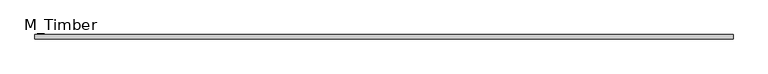
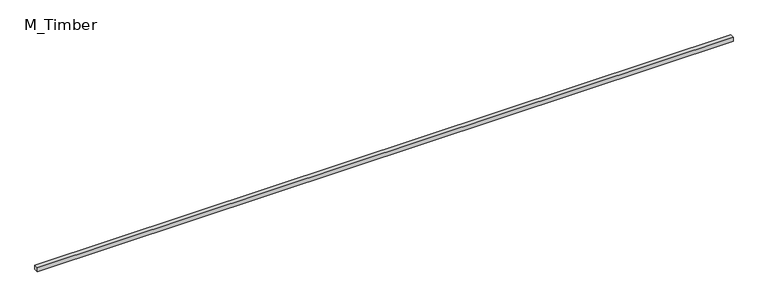
"""IFC4 building model written with IfcOpenShell, lengths in millimetres: beam geometry, M_Timber."""

from ifc_helpers import new_model, si_unit, frame, origin, place, context, project, spatial, polyline, outline, extrude, source, transform, mapped, element, save


def m_timber_2c86f83a(model_context):
    return source(origin(), model_context, "Body", "SweptSolid", [
        extrude(outline(polyline([(3213.7404083, 20.0), (3213.7404083, -20.0), (-3213.7404083, -20.0), (-3213.7404083, 20.0), (3213.7404083, 20.0)])), frame((0.0, 0.0, -20.0), z_axis=(0.0, 0.0, 1.0), x_axis=(1.0, 0.0, 0.0)), (0.0, 0.0, 1.0), 40.0),
    ])


if __name__ == "__main__":
    model = new_model("IFC4")
    model_context = context("Model", 3, world=origin())
    ifc_project = project(units=[si_unit("LENGTHUNIT", "METRE", prefix="MILLI")], contexts=[model_context])
    site = spatial("IfcSite", under=ifc_project)
    building = spatial("IfcBuilding", under=site)
    placement = place(None, origin())
    m_timber_shape = m_timber_2c86f83a(model_context)
    element("IfcBeam", 1, ObjectType="M_Timber", at=placement, inside=building, context=model_context, shape_type="MappedRepresentation", body=[
        mapped(m_timber_shape, transform((0.0, 0.0, 0.0), x_axis=(1.0, 0.0, 0.0), y_axis=(0.0, 1.0, 0.0), z_axis=(0.0, 0.0, 1.0))),
    ])
    save(model, "model.ifc")
